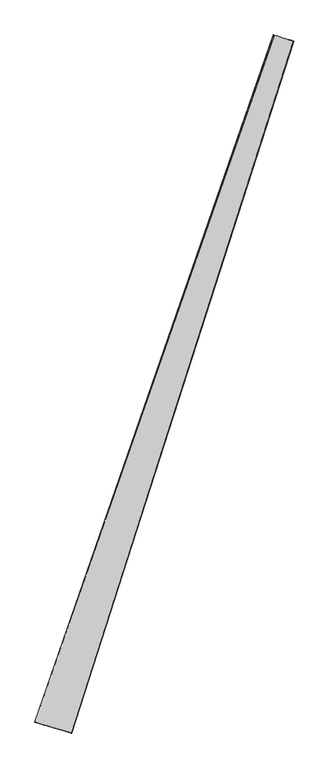
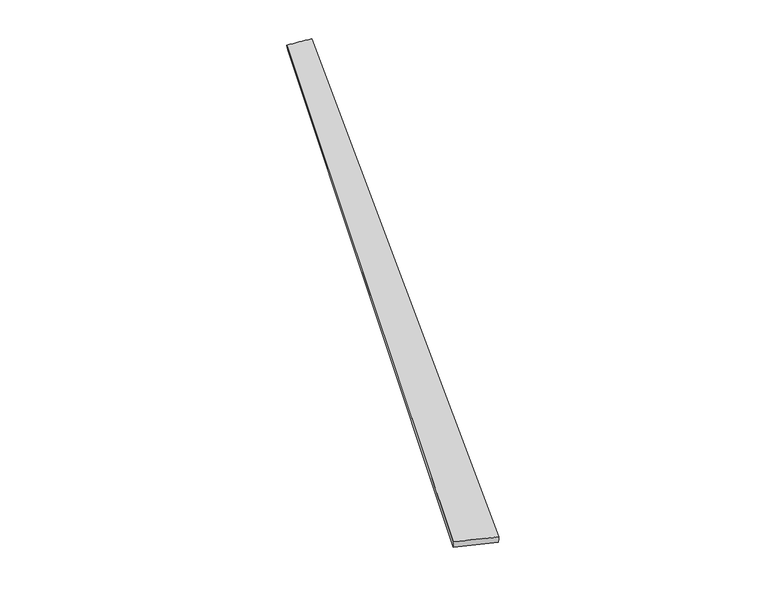
"""IFC4 building model written with IfcOpenShell, lengths in millimetres: proxy geometry."""

from ifc_helpers import new_model, si_unit, origin, place, context, project, spatial, source, transform, mapped, element, save
from ifc_brep_helpers import spline_surface, advanced_brep


def generic_models_ceae27b3(model_context):
    return source(origin(), model_context, "Body", "AdvancedBrep", [
        advanced_brep(
        [(-669.224145, -1695.367834, 4.4167425), (-668.9680898, -1695.3569473, 34.4156478), (658.3791417, 2123.6381148, 21.0366772), (664.0519254, 2121.5583, -8.3485894), (-463.3156967, -1754.8474475, 25.4717105), (768.5859265, 2088.4265413, 38.2623152), (-465.6786734, -1753.9874669, -4.4227166), (770.850893, 2087.7970009, 8.3545636)],
        [
            (0, 1),
            (1, 2),
            (2, 3),
            (3, 0),
            (1, 4),
            (4, 5),
            (5, 2),
            (4, 6),
            (6, 7),
            (7, 5),
            (6, 0),
            (3, 7),
        ],
        [
            spline_surface(1, 1, [[(-669.224145, -1695.367834, 4.4167425), (664.0519254, 2121.5583, -8.3485894)], [(-668.9680898, -1695.3569473, 34.4156478), (658.3791417, 2123.6381148, 21.0366772)]], [2, 2], [2, 2], [0.0, 1.0], [0.0, 1.0]),
            spline_surface(1, 1, [[(-668.9680898, -1695.3569473, 34.4156478), (658.3791417, 2123.6381148, 21.0366772)], [(-463.3156967, -1754.8474475, 25.4717105), (768.5859265, 2088.4265413, 38.2623152)]], [2, 2], [2, 2], [0.0, 1.0], [0.0, 1.0]),
            spline_surface(1, 1, [[(-463.3156967, -1754.8474475, 25.4717105), (768.5859265, 2088.4265413, 38.2623152)], [(-465.6786734, -1753.9874669, -4.4227166), (770.850893, 2087.7970009, 8.3545636)]], [2, 2], [2, 2], [0.0, 1.0], [0.0, 1.0]),
            spline_surface(1, 1, [[(-465.6786734, -1753.9874669, -4.4227166), (770.850893, 2087.7970009, 8.3545636)], [(-669.224145, -1695.367834, 4.4167425), (664.0519254, 2121.5583, -8.3485894)]], [2, 2], [2, 2], [0.0, 1.0], [0.0, 1.0]),
            spline_surface(1, 1, [[(658.3791417, 2123.6381148, 21.0366772), (664.0519254, 2121.5583, -8.3485894)], [(768.5859265, 2088.4265413, 38.2623152), (770.850893, 2087.7970009, 8.3545636)]], [2, 2], [2, 2], [0.0, 1.0], [0.0, 1.0]),
            spline_surface(1, 1, [[(-465.6786734, -1753.9874669, -4.4227166), (-669.224145, -1695.367834, 4.4167425)], [(-463.3156967, -1754.8474475, 25.4717105), (-668.9680898, -1695.3569473, 34.4156478)]], [2, 2], [2, 2], [0.0, 1.0], [0.0, 1.0]),
        ],
        [
            (0, [[1, 2, 3, 4]]),
            (1, [[5, 6, 7, -2]]),
            (2, [[8, 9, 10, -6]]),
            (3, [[11, -4, 12, -9]]),
            (4, [[-3, -7, -10, -12]]),
            (5, [[-11, -8, -5, -1]]),
        ],
    ),
    ])


if __name__ == "__main__":
    model = new_model("IFC4")
    model_context = context("Model", 3, world=origin())
    ifc_project = project(units=[si_unit("LENGTHUNIT", "METRE", prefix="MILLI")], contexts=[model_context])
    site = spatial("IfcSite", under=ifc_project)
    building = spatial("IfcBuilding", under=site)
    placement = place(None, origin())
    generic_models_shape = generic_models_ceae27b3(model_context)
    element("IfcBuildingElementProxy", 1, Name="Generic Models", at=placement, inside=building, context=model_context, shape_type="MappedRepresentation", body=[
        mapped(generic_models_shape, transform((0.0, 0.0, 0.0), x_axis=(1.0, 0.0, 0.0), y_axis=(0.0, 1.0, 0.0), z_axis=(0.0, 0.0, 1.0))),
    ])
    save(model, "model.ifc")
